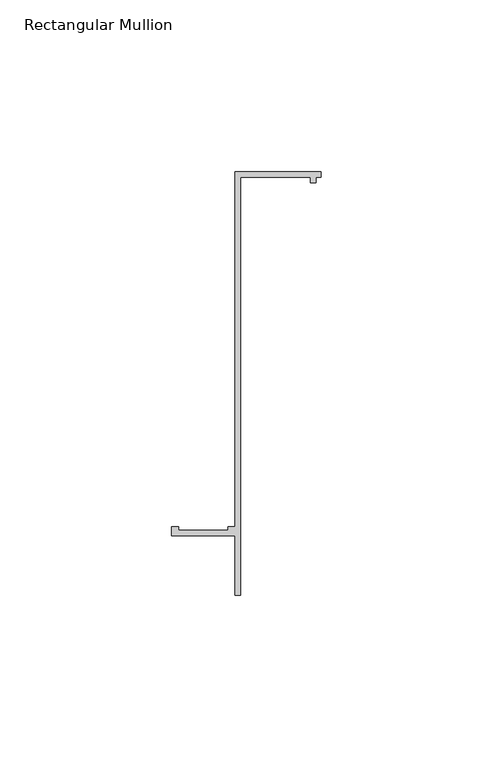
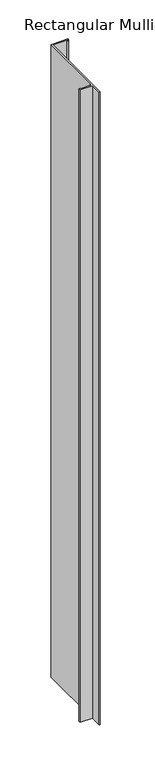
"""IFC4 building model written with IfcOpenShell, lengths in millimetres: member geometry, Rectangular Mullion."""

from ifc_helpers import new_model, si_unit, frame, origin, place, context, project, spatial, polyline, outline, extrude, source, transform, mapped, element, save


def rectangular_mullion_7f389f0d(model_context):
    return source(origin(), model_context, "Body", "SweptSolid", [
        extrude(outline(polyline([(2e-07, 55.1996656), (0.0, 53.5996656), (-1.4, 53.5996657), (-1.4000002, 51.9996657), (-3.0000002, 51.9996659), (-3.0, 53.5996659), (-23.4, 53.5996679), (-23.4000119, -68.0000321), (-25.0000119, -68.000032), (-25.0000102, -50.600032), (-43.4000102, -50.6000302), (-43.40001, -48.0000302), (-41.4017469, -48.0000304), (-41.4017469, -49.0000304), (-27.0000101, -49.0000318), (-27.0000101, -48.0000318), (-25.00001, -48.000032), (-24.9999998, 55.199668), (2e-07, 55.1996656)])), frame((0.0, 0.0, -990.7253505), z_axis=(0.0, 0.0, 1.0), x_axis=(1.0, 0.0, 0.0)), (0.0, 0.0, 1.0), 990.7253505),
    ])


if __name__ == "__main__":
    model = new_model("IFC4")
    model_context = context("Model", 3, world=origin())
    ifc_project = project(units=[si_unit("LENGTHUNIT", "METRE", prefix="MILLI")], contexts=[model_context])
    site = spatial("IfcSite", under=ifc_project)
    building = spatial("IfcBuilding", under=site)
    placement = place(None, origin())
    rectangular_mullion_shape = rectangular_mullion_7f389f0d(model_context)
    element("IfcMember", 1, ObjectType="Rectangular Mullion", at=placement, inside=building, context=model_context, shape_type="MappedRepresentation", body=[
        mapped(rectangular_mullion_shape, transform((0.0, 0.0, 0.0), x_axis=(1.0, 0.0, 0.0), y_axis=(0.0, 1.0, 0.0), z_axis=(0.0, 0.0, 1.0))),
    ])
    save(model, "model.ifc")
